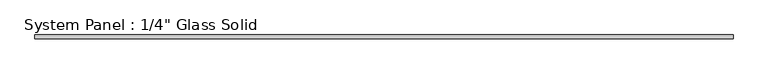
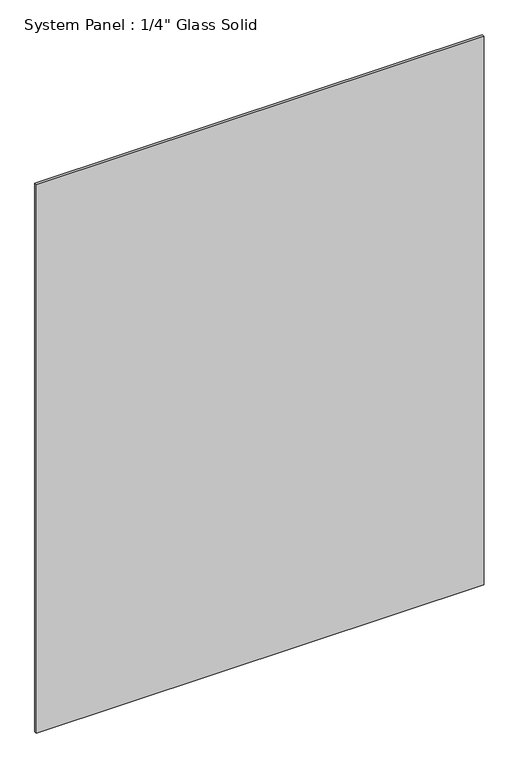
"""IFC4 building model written with IfcOpenShell, lengths in millimetres: plate geometry."""

from ifc_helpers import new_model, si_unit, origin, origin_with_axes, place, context, project, spatial, polyline, outline, extrude, source, transform, mapped, element, save


def plate_4fe3dc2f(model_context):
    return source(origin(), model_context, "Body", "SweptSolid", [
        extrude(outline(polyline([(561.3970691, -3.175), (-561.3970691, -3.175), (-561.3970691, 3.175), (561.3970691, 3.175), (561.3970691, -3.175)])), origin_with_axes(), (0.0, 0.0, 1.0), 1452.8817704),
    ])


if __name__ == "__main__":
    model = new_model("IFC4")
    model_context = context("Model", 3, world=origin())
    ifc_project = project(units=[si_unit("LENGTHUNIT", "METRE", prefix="MILLI")], contexts=[model_context])
    site = spatial("IfcSite", under=ifc_project)
    building = spatial("IfcBuilding", under=site)
    placement = place(None, origin())
    plate_shape = plate_4fe3dc2f(model_context)
    element("IfcPlate", 1, ObjectType="System Panel : 1/4\" Glass Solid", at=placement, inside=building, context=model_context, shape_type="MappedRepresentation", body=[
        mapped(plate_shape, transform((0.0, 0.0, 0.0), x_axis=(1.0, 0.0, 0.0), y_axis=(0.0, 1.0, 0.0), z_axis=(0.0, 0.0, 1.0))),
    ])
    save(model, "model.ifc")
